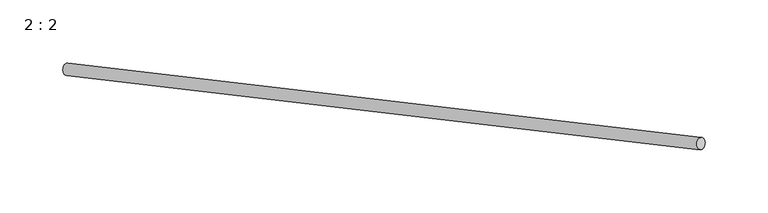
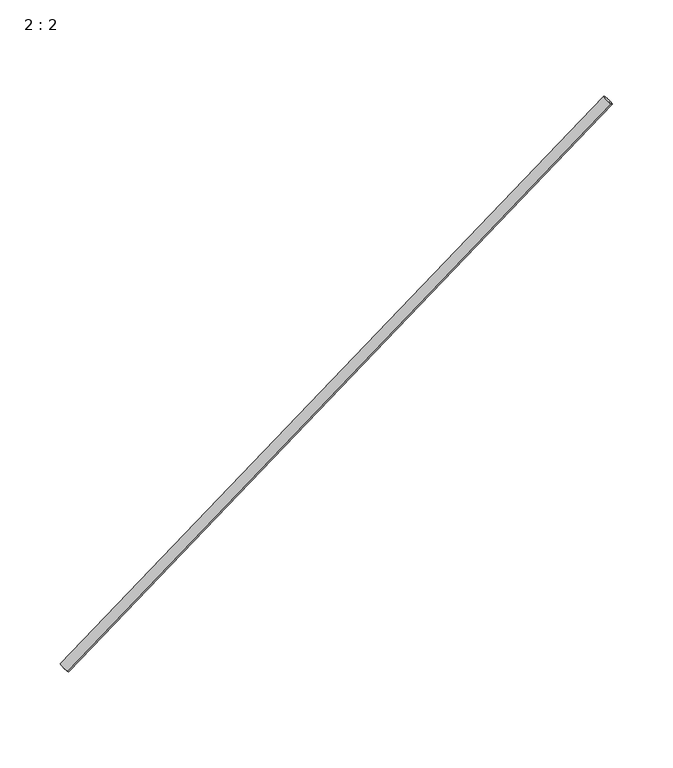
"""IFC4 building model written with IfcOpenShell, lengths in millimetres: proxy geometry, 2 : 2."""

from ifc_helpers import new_model, si_unit, point, frame, origin, origin_2d, place, context, project, spatial, circle_curve, trimmed, segment, composite_curve, outline, extrude, source, transform, mapped, element, save


def proxy_2_2_fa1dc8ac(model_context):
    return source(origin(), model_context, "Body", "SweptSolid", [
        extrude(outline(composite_curve([segment(trimmed(circle_curve(origin_2d(), 5.0), [point((1e-07, 5.0))], [point((0.0, -5.0))], False, "CARTESIAN"), True, "CONTINUOUS"), segment(trimmed(circle_curve(origin_2d(), 5.0), [point((0.0, -5.0))], [point((1e-07, 5.0))], False, "CARTESIAN"), True, "CONTINUOUS")], self_intersect=False)), frame((349.2537248, 59.2659051, -225.7729603), z_axis=(0.7403169350548833, -0.08715574274766133, 0.6665843623856228), x_axis=(-0.6691306063588719, 0.0, 0.743144825477382)), (0.0, 0.0, 1.0), 680.0),
    ])


if __name__ == "__main__":
    model = new_model("IFC4")
    model_context = context("Model", 3, world=origin())
    ifc_project = project(units=[si_unit("LENGTHUNIT", "METRE", prefix="MILLI")], contexts=[model_context])
    site = spatial("IfcSite", under=ifc_project)
    building = spatial("IfcBuilding", under=site)
    placement = place(None, origin())
    proxy_2_2_shape = proxy_2_2_fa1dc8ac(model_context)
    element("IfcBuildingElementProxy", 1, Name="2 : 2", ObjectType="2 : 2", at=placement, inside=building, context=model_context, shape_type="MappedRepresentation", body=[
        mapped(proxy_2_2_shape, transform((0.0, 0.0, 0.0), x_axis=(1.0, 0.0, 0.0), y_axis=(0.0, 1.0, 0.0), z_axis=(0.0, 0.0, 1.0))),
    ])
    save(model, "model.ifc")
